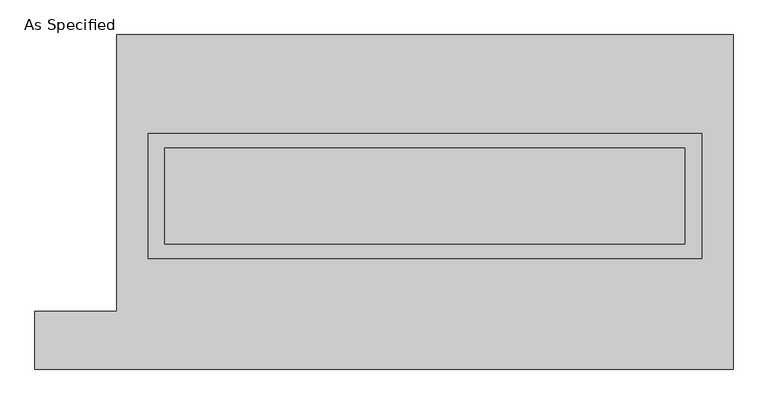
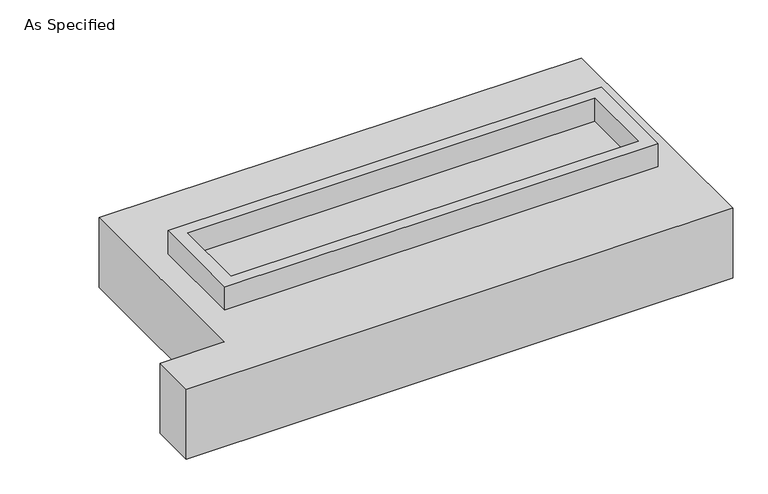
"""IFC4 building model written with IfcOpenShell, lengths in millimetres: proxy geometry, As Specified."""

from ifc_helpers import new_model, si_unit, frame, origin, place, context, project, spatial, polyline, outline, extrude, faceted_brep, source, transform, mapped, element, save


def as_specified_626ffb7c(model_context):
    return source(origin(), model_context, "Body", "SolidModel", [
        extrude(outline(polyline([(1460.5, 361.95), (1460.5, -298.45), (-1460.5, -298.45), (-1460.5, 361.95), (1460.5, 361.95)]), holes=[polyline([(1371.6, 285.75), (-1371.6, 285.75), (-1371.6, -222.25), (1371.6, -222.25), (1371.6, 285.75)])]), frame((0.0, 0.0, -25.4), z_axis=(0.0, 0.0, 1.0), x_axis=(1.0, 0.0, 0.0)), (0.0, 0.0, 1.0), 165.1),
        extrude(outline(polyline([(1371.6, 285.75), (1371.6, -222.25), (-1371.6, -222.25), (-1371.6, 285.75), (1371.6, 285.75)])), frame((0.0, 0.0, -30.3609375), z_axis=(0.0, 0.0, 1.0), x_axis=(1.0, 0.0, 0.0)), (0.0, 0.0, 1.0), 4.9609375),
        faceted_brep([(-1625.6, 882.65, -523.875), (1625.6, 882.65, -523.875), (1625.6, -882.65, -523.875), (-2057.4, -882.65, -523.875), (-2057.4, -577.85, -523.875), (-1625.6, -577.85, -523.875), (1625.6, 882.65, -25.4), (-1625.6, 882.65, -25.4), (-1625.6, -577.85, -25.4), (-2057.4, -577.85, -25.4), (-2057.4, -882.65, -25.4), (1625.6, -882.65, -25.4), (-1460.5, -298.45, -25.4), (-1460.5, 361.95, -25.4), (1460.5, 361.95, -25.4), (1460.5, -298.45, -25.4), (1460.5, 361.95, -498.475), (-1460.5, 361.95, -498.475), (-1460.5, -298.45, -498.475), (1460.5, -298.45, -498.475)], [[[0, 1, 2, 3, 4, 5]], [[6, 7, 8, 9, 10, 11], [12, 13, 14, 15]], [[1, 0, 7, 6]], [[7, 0, 5, 8]], [[1, 6, 11, 2]], [[16, 17, 18, 19]], [[18, 17, 13, 12]], [[17, 16, 14, 13]], [[16, 19, 15, 14]], [[12, 15, 19, 18]], [[3, 2, 11, 10]], [[5, 4, 9, 8]], [[4, 3, 10, 9]]]),
    ])


if __name__ == "__main__":
    model = new_model("IFC4")
    model_context = context("Model", 3, world=origin())
    ifc_project = project(units=[si_unit("LENGTHUNIT", "METRE", prefix="MILLI")], contexts=[model_context])
    site = spatial("IfcSite", under=ifc_project)
    building = spatial("IfcBuilding", under=site)
    placement = place(None, origin())
    as_specified_shape = as_specified_626ffb7c(model_context)
    element("IfcBuildingElementProxy", 1, Name="As Specified", ObjectType="As Specified", at=placement, inside=building, context=model_context, shape_type="MappedRepresentation", body=[
        mapped(as_specified_shape, transform((0.0, 0.0, 0.0), x_axis=(1.0, 0.0, 0.0), y_axis=(0.0, 1.0, 0.0), z_axis=(0.0, 0.0, 1.0))),
    ])
    save(model, "model.ifc")
